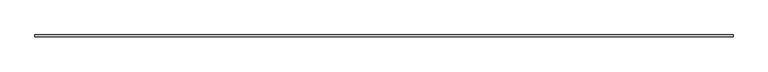
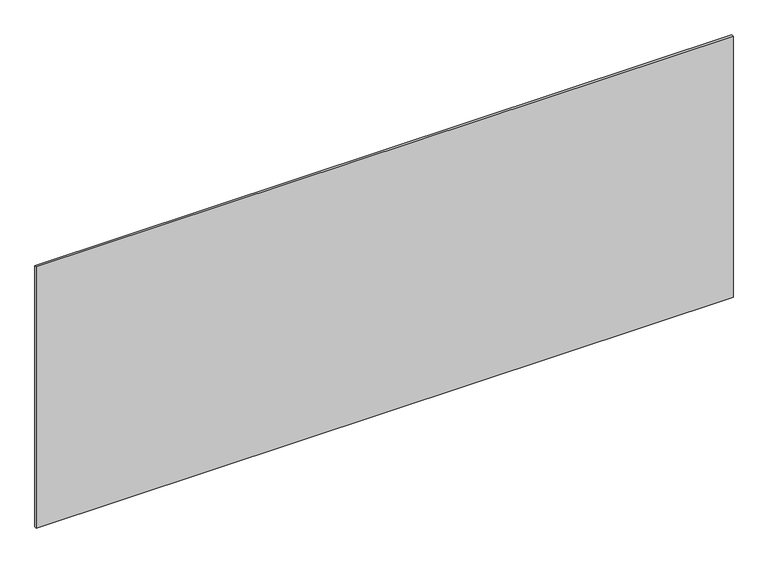
"""IFC4 building model written with IfcOpenShell, lengths in millimetres: plate geometry."""

from ifc_helpers import new_model, si_unit, origin, origin_with_axes, place, context, project, spatial, polyline, outline, extrude, source, transform, mapped, element, save


def plate_d56826eb(model_context):
    return source(origin(), model_context, "Body", "SweptSolid", [
        extrude(outline(polyline([(1697.5, -5.0), (-1697.5, -5.0), (-1697.5, 5.0), (1697.5, 5.0), (1697.5, -5.0)])), origin_with_axes(), (0.0, 0.0, 1.0), 1345.016358),
    ])


if __name__ == "__main__":
    model = new_model("IFC4")
    model_context = context("Model", 3, world=origin())
    ifc_project = project(units=[si_unit("LENGTHUNIT", "METRE", prefix="MILLI")], contexts=[model_context])
    site = spatial("IfcSite", under=ifc_project)
    building = spatial("IfcBuilding", under=site)
    placement = place(None, origin())
    plate_shape = plate_d56826eb(model_context)
    element("IfcPlate", 1, at=placement, inside=building, context=model_context, shape_type="MappedRepresentation", body=[
        mapped(plate_shape, transform((0.0, 0.0, 0.0), x_axis=(1.0, 0.0, 0.0), y_axis=(0.0, 1.0, 0.0), z_axis=(0.0, 0.0, 1.0))),
    ])
    save(model, "model.ifc")
